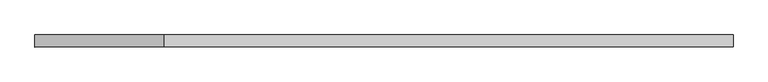
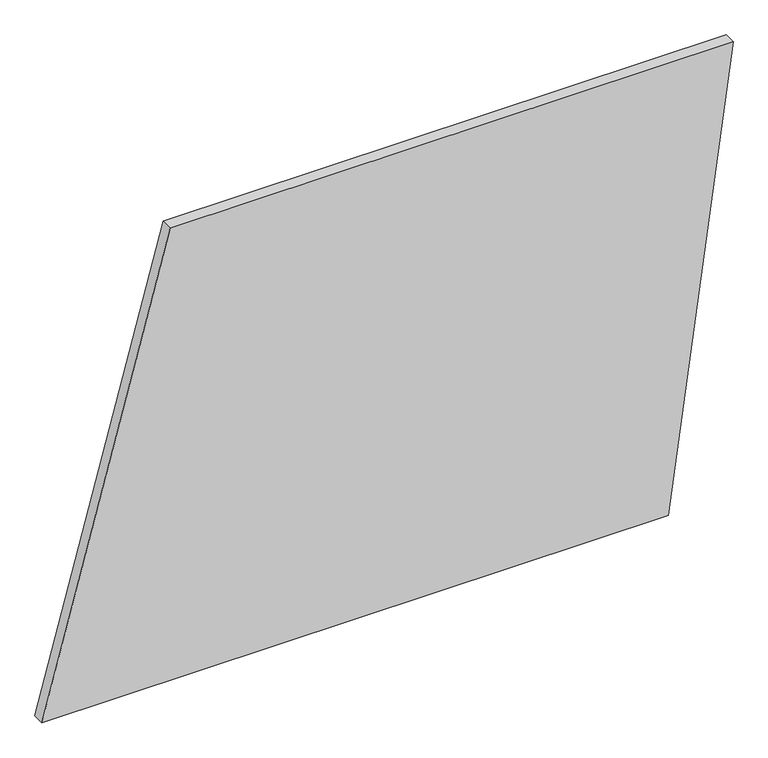
"""IFC4 building model written with IfcOpenShell, lengths in millimetres: plate geometry."""

from ifc_helpers import new_model, si_unit, frame, origin, place, context, project, spatial, polyline, outline, extrude, source, transform, mapped, element, save


def plate_0ed078c9(model_context):
    return source(origin(), model_context, "Body", "SweptSolid", [
        extrude(outline(polyline([(0.0, -722.3068036), (0.0, 586.5547817), (1000.0, 722.3068036), (1000.0, -454.3576112), (0.0, -722.3068036)])), frame((0.0, 24.5, 0.0), z_axis=(0.0, 1.0, 0.0), x_axis=(0.0, 0.0, 1.0)), (0.0, 0.0, 1.0), 25.0),
    ])


if __name__ == "__main__":
    model = new_model("IFC4")
    model_context = context("Model", 3, world=origin())
    ifc_project = project(units=[si_unit("LENGTHUNIT", "METRE", prefix="MILLI")], contexts=[model_context])
    site = spatial("IfcSite", under=ifc_project)
    building = spatial("IfcBuilding", under=site)
    placement = place(None, origin())
    plate_shape = plate_0ed078c9(model_context)
    element("IfcPlate", 1, at=placement, inside=building, context=model_context, shape_type="MappedRepresentation", body=[
        mapped(plate_shape, transform((0.0, 0.0, 0.0), x_axis=(1.0, 0.0, 0.0), y_axis=(0.0, 1.0, 0.0), z_axis=(0.0, 0.0, 1.0))),
    ])
    save(model, "model.ifc")
